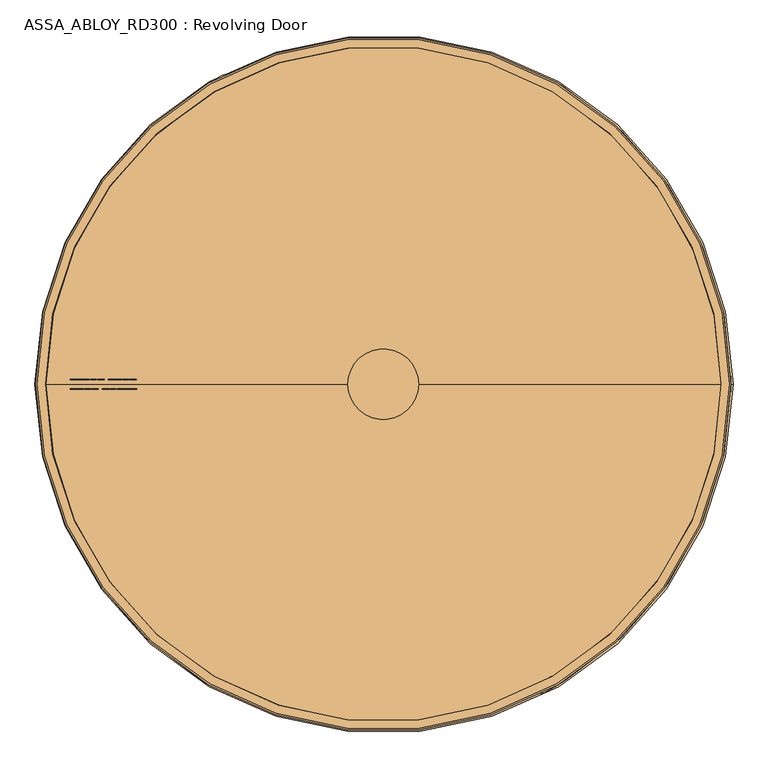
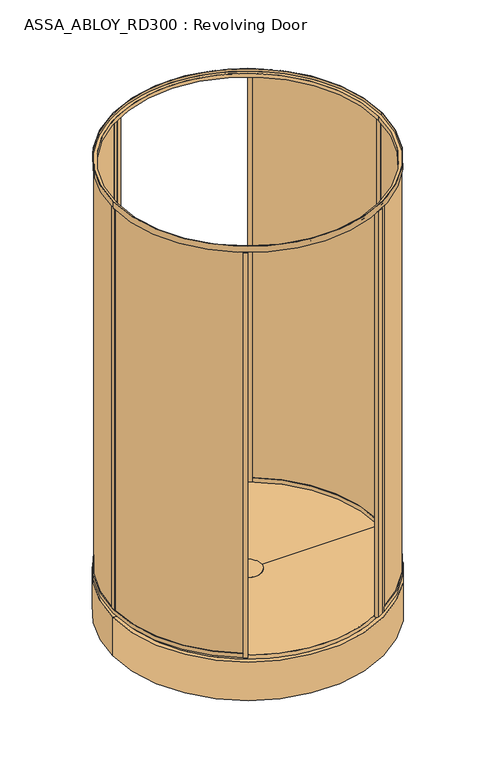
"""IFC4 building model written with IfcOpenShell, lengths in millimetres: door geometry, ASSA_ABLOY_RD300 : Revolving Door."""

from ifc_helpers import new_model, si_unit, point, frame, frame_2d, origin, origin_with_axes, origin_2d, place, context, project, spatial, polyline, circle_curve, trimmed, segment, composite_curve, outline, extrude, source, transform, mapped, element, save
from ifc_brep_helpers import plane_surface, cylinder_surface, revolved_surface, advanced_brep


def assa_abloy_rd300_revolving_door_65290dea(model_context):
    return source(origin(), model_context, "Body", "SolidModel", [
        extrude(outline(polyline([(28.0, -815.4407922), (47.8848654, -822.768158), (47.8848654, -826.3412198), (28.0, -833.6685856), (28.0, -830.8463846), (33.6340452, -828.842363), (33.6340452, -820.2721931), (28.0, -818.2681716), (28.0, -815.4407922)]), holes=[polyline([(35.9539462, -821.126621), (35.9539462, -828.0034703), (45.4562191, -824.5546889), (35.9539462, -821.126621)])]), frame((0.0, -13.5, 0.0), z_axis=(0.0, 1.0, 0.0), x_axis=(0.0, 0.0, 1.0)), (0.0, 0.0, 1.0), 2.0),
        extrude(outline(polyline([(33.6858287, -797.8758278), (36.999973, -799.0383674), (38.7709688, -802.505273), (39.3172847, -805.2731013), (39.7703904, -807.7923687), (40.8500765, -810.1355723), (42.794547, -810.8009903), (45.0290052, -809.4442625), (45.8963789, -805.8556657), (45.2361392, -801.8761034), (43.5764779, -798.5386566), (46.7870552, -798.5386566), (47.804601, -801.7466447), (48.2162799, -805.7262069), (46.6239371, -811.269631), (42.5408079, -813.4523057), (39.0195296, -812.1292372), (37.1087183, -808.061643), (36.6685585, -805.4931812), (36.2283987, -803.2405988), (35.2574581, -801.1977395), (33.3129875, -800.5271432), (30.8946979, -801.9330653), (29.9884865, -805.8660224), (30.6772071, -809.6772883), (32.6398019, -813.4523057), (29.2790525, -813.4523057), (28.0750861, -809.9051357), (27.6685856, -805.9747678), (28.147583, -802.4949163), (29.4810082, -799.9678813), (31.3944087, -798.4247329), (33.6858287, -797.8758278)])), frame((0.0, -13.5, 0.0), z_axis=(0.0, 1.0, 0.0), x_axis=(0.0, 0.0, 1.0)), (0.0, 0.0, 1.0), 2.0),
        extrude(outline(polyline([(33.6858287, -778.9852056), (36.999973, -780.1477453), (38.7709688, -783.6146508), (39.3172847, -786.3824791), (39.7703904, -788.9017466), (40.8500765, -791.2449501), (42.794547, -791.9103681), (45.0290052, -790.5536403), (45.8963789, -786.9650435), (45.2361392, -782.9854813), (43.5764779, -779.6480344), (46.7870552, -779.6480344), (47.804601, -782.8560225), (48.2162799, -786.8355848), (46.6239371, -792.3790088), (42.5408079, -794.5616835), (39.0195296, -793.238615), (37.1087183, -789.1710208), (36.6685585, -786.602559), (36.2283987, -784.3499766), (35.2574581, -782.3071174), (33.3129875, -781.636521), (30.8946979, -783.0424431), (29.9884865, -786.9754002), (30.6772071, -790.7866661), (32.6398019, -794.5616835), (29.2790525, -794.5616835), (28.0750861, -791.0145135), (27.6685856, -787.0841456), (28.147583, -783.6042941), (29.4810082, -781.0772591), (31.3944087, -779.5341107), (33.6858287, -778.9852056)])), frame((0.0, -13.5, 0.0), z_axis=(0.0, 1.0, 0.0), x_axis=(0.0, 0.0, 1.0)), (0.0, 0.0, 1.0), 2.0),
        extrude(outline(polyline([(28.0, -758.7689257), (47.8848654, -766.0962915), (47.8848654, -769.6693533), (28.0, -776.996719), (28.0, -774.1745181), (33.6340452, -772.1704965), (33.6340452, -763.6003266), (28.0, -761.596305), (28.0, -758.7689257)]), holes=[polyline([(35.9539462, -764.4547544), (35.9539462, -771.3316037), (45.4562191, -767.8828224), (35.9539462, -764.4547544)])]), frame((0.0, -13.5, 0.0), z_axis=(0.0, 1.0, 0.0), x_axis=(0.0, 0.0, 1.0)), (0.0, 0.0, 1.0), 2.0),
        extrude(outline(polyline([(28.0, -730.2672852), (47.8848654, -737.594651), (47.8848654, -741.1677128), (28.0, -748.4950786), (28.0, -745.6728776), (33.6340452, -743.668856), (33.6340452, -735.0986861), (28.0, -733.0946645), (28.0, -730.2672852)]), holes=[polyline([(35.9539462, -735.953114), (35.9539462, -742.8299633), (45.4562191, -739.3811819), (35.9539462, -735.953114)])]), frame((0.0, -13.5, 0.0), z_axis=(0.0, 1.0, 0.0), x_axis=(0.0, 0.0, 1.0)), (0.0, 0.0, 1.0), 2.0),
        extrude(outline(polyline([(34.1311668, -712.0394919), (37.561824, -713.2097991), (39.4441543, -716.4100196), (41.0597997, -714.4370681), (43.4521975, -713.696564), (45.5960346, -714.2014532), (47.0615077, -715.824866), (47.7269258, -717.9402222), (47.8848654, -721.2673123), (47.8848654, -727.2845554), (28.0, -727.2845554), (28.0, -720.1177185), (28.3754304, -716.6482237), (29.6311804, -714.1419022), (31.5083324, -712.6091105), (34.1311668, -712.0394919)]), holes=[polyline([(41.5595105, -717.6631804), (39.9309193, -721.0498216), (39.9309193, -724.63324), (45.5649645, -724.63324), (45.5649645, -721.3294525), (45.4795217, -719.0069623), (41.5595105, -717.6631804)]), polyline([(34.0172431, -714.6908073), (32.3187442, -715.0507027), (31.148437, -716.1821722), (30.4985541, -718.0645026), (30.319901, -721.0083948), (30.319901, -724.63324), (37.6110183, -724.63324), (37.6110183, -720.3352092), (37.5126296, -718.0308433), (37.0828266, -716.4203763), (35.8995735, -715.0636485), (34.0172431, -714.6908073)])]), frame((0.0, -13.5, 0.0), z_axis=(0.0, 1.0, 0.0), x_axis=(0.0, 0.0, 1.0)), (0.0, 0.0, 1.0), 2.0),
        extrude(outline(polyline([(28.0, -695.8001851), (30.319901, -695.8001851), (30.319901, -705.7426179), (47.8848654, -705.7426179), (47.8848654, -708.3939332), (28.0, -708.3939332), (28.0, -695.8001851)])), frame((0.0, -13.5, 0.0), z_axis=(0.0, 1.0, 0.0), x_axis=(0.0, 0.0, 1.0)), (0.0, 0.0, 1.0), 2.0),
        extrude(outline(polyline([(45.5390727, -678.3905712), (47.5197917, -681.2464314), (48.2162799, -685.0343947), (47.5275593, -688.7861095), (45.5390727, -691.6678615), (42.2611769, -693.5113543), (37.9372544, -694.143113), (33.5770834, -693.5035867), (30.3561494, -691.6782182), (28.3573062, -688.7990554), (27.6685856, -685.0343947), (28.3443603, -681.2593773), (30.3561494, -678.3905712), (33.571905, -676.5677918), (37.9372544, -675.9153197), (42.292247, -676.554846), (45.5390727, -678.3905712)]), holes=[polyline([(37.9372544, -678.5666351), (32.0339349, -680.3169175), (29.9884865, -685.024038), (32.0339349, -689.7337477), (37.9372544, -691.4917976), (43.8250388, -689.7674069), (45.8963789, -685.024038), (43.8250388, -680.2962041), (37.9372544, -678.5666351)])]), frame((0.0, -13.5, 0.0), z_axis=(0.0, 1.0, 0.0), x_axis=(0.0, 0.0, 1.0)), (0.0, 0.0, 1.0), 2.0),
        extrude(outline(polyline([(47.8848654, -657.0246975), (47.8848654, -660.1938479), (38.9884595, -665.6259375), (47.8848654, -671.1149889), (47.8848654, -674.2582476), (36.4407111, -666.9671302), (28.0, -666.9671302), (28.0, -664.3158148), (36.720342, -664.3158148), (47.8848654, -657.0246975)])), frame((0.0, -13.5, 0.0), z_axis=(0.0, 1.0, 0.0), x_axis=(0.0, 0.0, 1.0)), (0.0, 0.0, 1.0), 2.0),
        extrude(outline(polyline([(28.0, -675.9153197), (28.0, -673.0879404), (33.6340452, -671.0839188), (33.6340452, -662.5137489), (28.0, -660.5097273), (28.0, -657.6875264), (47.8848654, -665.0148921), (47.8848654, -668.5879539), (28.0, -675.9153197)]), holes=[polyline([(35.9539462, -670.229491), (45.4562191, -666.801423), (35.9539462, -663.3526417), (35.9539462, -670.229491)])]), frame((0.0, 11.5, 0.0), z_axis=(0.0, 1.0, 0.0), x_axis=(0.0, 0.0, 1.0)), (0.0, 0.0, 1.0), 2.0),
        extrude(outline(polyline([(33.6858287, -693.4802842), (31.3944087, -692.931379), (29.4810082, -691.3882306), (28.147583, -688.8611956), (27.6685856, -685.3813442), (28.0750861, -681.4509762), (29.2790525, -677.9038062), (32.6398019, -677.9038062), (30.6772071, -681.6788237), (29.9884865, -685.4900895), (30.8946979, -689.4230466), (33.3129875, -690.8289688), (35.2574581, -690.1583724), (36.2283987, -688.1155132), (36.6685585, -685.8629308), (37.1087183, -683.294469), (39.0195296, -679.2268747), (42.5408079, -677.9038062), (46.6239371, -680.0864809), (48.2162799, -685.629905), (47.804601, -689.6094673), (46.7870552, -692.8174553), (43.5764779, -692.8174553), (45.2361392, -689.4800085), (45.8963789, -685.5004462), (45.0290052, -681.9118494), (42.794547, -680.5551216), (40.8500765, -681.2205396), (39.7703904, -683.5637432), (39.3172847, -686.0830106), (38.7709688, -688.8508389), (36.999973, -692.3177445), (33.6858287, -693.4802842)])), frame((0.0, 11.5, 0.0), z_axis=(0.0, 1.0, 0.0), x_axis=(0.0, 0.0, 1.0)), (0.0, 0.0, 1.0), 2.0),
        extrude(outline(polyline([(33.6858287, -712.3709063), (31.3944087, -711.8220012), (29.4810082, -710.2788528), (28.147583, -707.7518178), (27.6685856, -704.2719663), (28.0750861, -700.3415984), (29.2790525, -696.7944284), (32.6398019, -696.7944284), (30.6772071, -700.5694458), (29.9884865, -704.3807117), (30.8946979, -708.3136688), (33.3129875, -709.7195909), (35.2574581, -709.0489946), (36.2283987, -707.0061353), (36.6685585, -704.7535529), (37.1087183, -702.1850911), (39.0195296, -698.1174969), (42.5408079, -696.7944284), (46.6239371, -698.9771031), (48.2162799, -704.5205272), (47.804601, -708.5000894), (46.7870552, -711.7080775), (43.5764779, -711.7080775), (45.2361392, -708.3706307), (45.8963789, -704.3910684), (45.0290052, -700.8024716), (42.794547, -699.4457438), (40.8500765, -700.1111618), (39.7703904, -702.4543654), (39.3172847, -704.9736328), (38.7709688, -707.7414611), (36.999973, -711.2083667), (33.6858287, -712.3709063)])), frame((0.0, 11.5, 0.0), z_axis=(0.0, 1.0, 0.0), x_axis=(0.0, 0.0, 1.0)), (0.0, 0.0, 1.0), 2.0),
        extrude(outline(polyline([(28.0, -732.5871862), (28.0, -729.7598069), (33.6340452, -727.7557853), (33.6340452, -719.1856154), (28.0, -717.1815938), (28.0, -714.3593929), (47.8848654, -721.6867587), (47.8848654, -725.2598204), (28.0, -732.5871862)]), holes=[polyline([(35.9539462, -726.9013575), (45.4562191, -723.4732895), (35.9539462, -720.0245082), (35.9539462, -726.9013575)])]), frame((0.0, 11.5, 0.0), z_axis=(0.0, 1.0, 0.0), x_axis=(0.0, 0.0, 1.0)), (0.0, 0.0, 1.0), 2.0),
        extrude(outline(polyline([(28.0, -761.0888267), (28.0, -758.2614474), (33.6340452, -756.2574258), (33.6340452, -747.6872559), (28.0, -745.6832343), (28.0, -742.8610334), (47.8848654, -750.1883991), (47.8848654, -753.7614609), (28.0, -761.0888267)]), holes=[polyline([(35.9539462, -755.402998), (45.4562191, -751.97493), (35.9539462, -748.5261487), (35.9539462, -755.402998)])]), frame((0.0, 11.5, 0.0), z_axis=(0.0, 1.0, 0.0), x_axis=(0.0, 0.0, 1.0)), (0.0, 0.0, 1.0), 2.0),
        extrude(outline(polyline([(34.1311668, -779.31662), (31.5083324, -778.7470015), (29.6311804, -777.2142098), (28.3754304, -774.7078882), (28.0, -771.2383934), (28.0, -764.0715565), (47.8848654, -764.0715565), (47.8848654, -770.0887996), (47.7269258, -773.4158898), (47.0615077, -775.5312459), (45.5960346, -777.1546587), (43.4521975, -777.6595479), (41.0597997, -776.9190438), (39.4441543, -774.9460923), (37.561824, -778.1463128), (34.1311668, -779.31662)]), holes=[polyline([(41.5595105, -773.6929315), (45.4795217, -772.3491496), (45.5649645, -770.0266594), (45.5649645, -766.7228719), (39.9309193, -766.7228719), (39.9309193, -770.3062904), (41.5595105, -773.6929315)]), polyline([(34.0172431, -776.6653046), (35.8995735, -776.2924634), (37.0828266, -774.9357356), (37.5126296, -773.3252686), (37.6110183, -771.0209027), (37.6110183, -766.7228719), (30.319901, -766.7228719), (30.319901, -770.3477172), (30.4985541, -773.2916094), (31.148437, -775.1739397), (32.3187442, -776.3054093), (34.0172431, -776.6653046)])]), frame((0.0, 11.5, 0.0), z_axis=(0.0, 1.0, 0.0), x_axis=(0.0, 0.0, 1.0)), (0.0, 0.0, 1.0), 2.0),
        extrude(outline(polyline([(28.0, -795.5559268), (28.0, -782.9621787), (47.8848654, -782.9621787), (47.8848654, -785.6134941), (30.319901, -785.6134941), (30.319901, -795.5559268), (28.0, -795.5559268)])), frame((0.0, 11.5, 0.0), z_axis=(0.0, 1.0, 0.0), x_axis=(0.0, 0.0, 1.0)), (0.0, 0.0, 1.0), 2.0),
        extrude(outline(polyline([(45.5390727, -812.9655408), (42.292247, -814.801266), (37.9372544, -815.4407922), (33.571905, -814.7883201), (30.3561494, -812.9655408), (28.3443603, -810.0967347), (27.6685856, -806.3217172), (28.3573062, -802.5570565), (30.3561494, -799.6778937), (33.5770834, -797.8525252), (37.9372544, -797.2129989), (42.2611769, -797.8447577), (45.5390727, -799.6882504), (47.5275593, -802.5700024), (48.2162799, -806.3217172), (47.5197917, -810.1096805), (45.5390727, -812.9655408)]), holes=[polyline([(37.9372544, -812.7894769), (43.8250388, -811.0599078), (45.8963789, -806.3320739), (43.8250388, -801.588705), (37.9372544, -799.8643143), (32.0339349, -801.6223643), (29.9884865, -806.3320739), (32.0339349, -811.0391944), (37.9372544, -812.7894769)])]), frame((0.0, 11.5, 0.0), z_axis=(0.0, 1.0, 0.0), x_axis=(0.0, 0.0, 1.0)), (0.0, 0.0, 1.0), 2.0),
        extrude(outline(polyline([(47.8848654, -834.3314144), (36.720342, -827.0402971), (28.0, -827.0402971), (28.0, -824.3889817), (36.4407111, -824.3889817), (47.8848654, -817.0978644), (47.8848654, -820.241123), (38.9884595, -825.7301744), (47.8848654, -831.162264), (47.8848654, -834.3314144)])), frame((0.0, 11.5, 0.0), z_axis=(0.0, 1.0, 0.0), x_axis=(0.0, 0.0, 1.0)), (0.0, 0.0, 1.0), 2.0),
        extrude(outline(composite_curve([segment(polyline([(-449.5, 778.556838), (-463.5, 802.8055493)]), True, "CONTINUOUS"), segment(trimmed(circle_curve(origin_2d(), 927.0), [point((-463.5, 802.8055493))], [point((-428.4272833, 822.0578221))], False, "CARTESIAN"), True, "CONTINUOUS"), segment(trimmed(circle_curve(frame_2d((-421.9447104, 809.619189)), 14.0265229), [point((-428.4272833, 822.0578221))], [point((-414.4138246, 797.7857996))], False, "CARTESIAN"), True, "CONTINUOUS"), segment(trimmed(circle_curve(origin_2d(), 899.0), [point((-414.4138246, 797.7857996))], [point((-449.5, 778.556838))], True, "CARTESIAN"), True, "CONTINUOUS")], self_intersect=False)), origin_with_axes(), (0.0, 0.0, 1.0), 2949.0),
        extrude(outline(composite_curve([segment(polyline([(449.5, -778.556838), (463.5, -802.8055493)]), True, "CONTINUOUS"), segment(trimmed(circle_curve(origin_2d(), 927.0), [point((463.5, -802.8055493))], [point((428.4272833, -822.0578221))], False, "CARTESIAN"), True, "CONTINUOUS"), segment(trimmed(circle_curve(frame_2d((421.9447104, -809.619189)), 14.0265229), [point((428.4272833, -822.0578221))], [point((414.4138246, -797.7857996))], False, "CARTESIAN"), True, "CONTINUOUS"), segment(trimmed(circle_curve(origin_2d(), 899.0), [point((414.4138246, -797.7857996))], [point((449.5, -778.556838))], True, "CARTESIAN"), True, "CONTINUOUS")], self_intersect=False)), origin_with_axes(), (0.0, 0.0, 1.0), 2949.0),
        advanced_brep(
        [(932.0, 0.0, -30.0), (-928.0, 0.0, -30.0), (-898.0, 0.0, -30.0), (902.0, 0.0, -30.0), (932.0, 0.0, -310.0), (-928.0, 0.0, -310.0), (2.0, 0.0, -310.0), (902.0, 0.0, 0.0), (-898.0, 0.0, 0.0), (2.0, 0.0, 0.0)],
        [
            (0, 1, circle_curve(frame((2.0, 0.0, -30.0), z_axis=(0.0, 0.0, 1.0), x_axis=(-1.0, 0.0, 0.0)), 930.0)),
            (1, 2),
            (2, 3, circle_curve(frame((2.0, 0.0, -30.0), z_axis=(0.0, 0.0, -1.0), x_axis=(-1.0, 0.0, 0.0)), 900.0)),
            (3, 0),
            (1, 0, circle_curve(frame((2.0, 0.0, -30.0), z_axis=(0.0, 0.0, 1.0), x_axis=(-1.0, 0.0, 0.0)), 930.0)),
            (3, 2, circle_curve(frame((2.0, 0.0, -30.0), z_axis=(0.0, 0.0, -1.0), x_axis=(-1.0, 0.0, 0.0)), 900.0)),
            (4, 5, circle_curve(frame((2.0, 0.0, -310.0), z_axis=(0.0, 0.0, 1.0), x_axis=(-1.0, 0.0, 0.0)), 930.0)),
            (5, 1),
            (0, 4),
            (5, 4, circle_curve(frame((2.0, 0.0, -310.0), z_axis=(0.0, 0.0, 1.0), x_axis=(-1.0, 0.0, 0.0)), 930.0)),
            (6, 5),
            (4, 6),
            (7, 8, circle_curve(frame((2.0, 0.0, 0.0), z_axis=(0.0, 0.0, 1.0), x_axis=(-1.0, 0.0, 0.0)), 900.0)),
            (8, 9),
            (9, 7),
            (8, 7, circle_curve(frame((2.0, 0.0, 0.0), z_axis=(0.0, 0.0, 1.0), x_axis=(-1.0, 0.0, 0.0)), 900.0)),
            (2, 8),
            (7, 3),
        ],
        [
            plane_surface(frame((2.0, 0.0, -30.0), z_axis=(0.0, 0.0, 1.0), x_axis=(-1.0, 0.0, 0.0))),
            cylinder_surface(frame((2.0, 0.0, 2174.3150031), z_axis=(0.0, 0.0, -1.0), x_axis=(-1.0, 0.0, 0.0)), 930.0),
            plane_surface(frame((2.0, 0.0, -310.0), z_axis=(0.0, 0.0, -1.0), x_axis=(-1.0, 0.0, 0.0))),
            plane_surface(frame((2.0, 0.0, 0.0), z_axis=(0.0, 0.0, 1.0), x_axis=(-1.0, 0.0, 0.0))),
            cylinder_surface(frame((2.0, 0.0, 2174.3150031), z_axis=(0.0, 0.0, -1.0), x_axis=(-1.0, 0.0, 0.0)), 900.0),
        ],
        [
            (0, [[1, 2, 3, 4]]),
            (0, [[5, -4, 6, -2]]),
            (1, [[7, 8, -1, 9]]),
            (1, [[10, -9, -5, -8]]),
            (2, [[11, -7, 12]]),
            (2, [[-12, -10, -11]]),
            (3, [[13, 14, 15]]),
            (3, [[16, -15, -14]]),
            (4, [[-3, 17, -13, 18]]),
            (4, [[-6, -18, -16, -17]]),
        ],
    ),
        extrude(outline(composite_curve([segment(polyline([(-485.3341191, -788.8299284), (-472.3288435, -766.3041303)]), True, "CONTINUOUS"), segment(trimmed(circle_curve(frame_2d((0.0, -0.2065754)), 900.0), [point((-472.3288435, -766.3041303))], [point((-450.0, -779.6294388))], True, "CARTESIAN"), True, "CONTINUOUS"), segment(polyline([(-450.0, -779.6294388), (-463.0, -802.1460993)]), True, "CONTINUOUS"), segment(trimmed(circle_curve(frame_2d((0.0, -0.2065754)), 926.0), [point((-463.0, -802.1460993))], [point((-485.3341191, -788.8299284))], False, "CARTESIAN"), True, "CONTINUOUS")], self_intersect=False)), origin_with_axes(), (0.0, 0.0, 1.0), 2949.0),
        extrude(outline(composite_curve([segment(polyline([(-463.0, 801.7329485), (-450.0, 779.216288)]), True, "CONTINUOUS"), segment(trimmed(circle_curve(frame_2d((0.0, -0.2065754)), 900.0), [point((-450.0, 779.216288))], [point((-472.3288435, 765.8909795))], True, "CARTESIAN"), True, "CONTINUOUS"), segment(polyline([(-472.3288435, 765.8909795), (-485.3341191, 788.4167775)]), True, "CONTINUOUS"), segment(trimmed(circle_curve(frame_2d((0.0, -0.2065754)), 926.0), [point((-485.3341191, 788.4167775))], [point((-463.0, 801.7329485))], False, "CARTESIAN"), True, "CONTINUOUS")], self_intersect=False)), origin_with_axes(), (0.0, 0.0, 1.0), 2949.0),
        extrude(outline(composite_curve([segment(polyline([(-920.7828191, -20.2065754), (-904.7789785, -20.2065754)]), True, "CONTINUOUS"), segment(trimmed(circle_curve(frame_2d((0.0, -0.2065754)), 905.0), [point((-904.7789785, -20.2065754))], [point((-474.8298816, -770.6360553))], True, "CARTESIAN"), True, "CONTINUOUS"), segment(polyline([(-474.8298816, -770.6360553), (-482.8331277, -784.4980842)]), True, "CONTINUOUS"), segment(trimmed(circle_curve(frame_2d((0.0, -0.2065754)), 921.0), [point((-482.8331277, -784.4980842))], [point((-920.7828191, -20.2065754))], False, "CARTESIAN"), True, "CONTINUOUS")], self_intersect=False)), frame((0.0, 0.0, 30.0), z_axis=(0.0, 0.0, 1.0), x_axis=(1.0, 0.0, 0.0)), (0.0, 0.0, 1.0), 2919.0),
        extrude(outline(composite_curve([segment(polyline([(-482.8331277, 784.0849334), (-474.8298816, 770.2229045)]), True, "CONTINUOUS"), segment(trimmed(circle_curve(frame_2d((0.0, -0.2065754)), 905.0), [point((-474.8298816, 770.2229045))], [point((-904.7789785, 19.7934246))], True, "CARTESIAN"), True, "CONTINUOUS"), segment(polyline([(-904.7789785, 19.7934246), (-920.7828191, 19.7934246)]), True, "CONTINUOUS"), segment(trimmed(circle_curve(frame_2d((0.0, -0.2065754)), 921.0), [point((-920.7828191, 19.7934246))], [point((-482.8331277, 784.0849334))], False, "CARTESIAN"), True, "CONTINUOUS")], self_intersect=False)), frame((0.0, 0.0, 30.0), z_axis=(0.0, 0.0, 1.0), x_axis=(1.0, 0.0, 0.0)), (0.0, 0.0, 1.0), 2919.0),
        extrude(outline(polyline([(-926.0, -20.2065754), (-926.0, 19.7934246), (-900.0, 19.7934246), (-900.0, -20.2065754), (-926.0, -20.2065754)])), frame((0.0, 0.0, 30.0), z_axis=(0.0, 0.0, 1.0), x_axis=(1.0, 0.0, 0.0)), (0.0, 0.0, 1.0), 2919.0),
        extrude(outline(composite_curve([segment(polyline([(-485.3341191, 788.4167775), (-472.3288435, 765.8909795)]), True, "CONTINUOUS"), segment(trimmed(circle_curve(frame_2d((0.0, -0.2065754)), 900.0), [point((-472.3288435, 765.8909795))], [point((-472.3288435, -766.3041303))], True, "CARTESIAN"), True, "CONTINUOUS"), segment(polyline([(-472.3288435, -766.3041303), (-485.3341191, -788.8299284)]), True, "CONTINUOUS"), segment(trimmed(circle_curve(frame_2d((0.0, -0.2065754)), 926.0), [point((-485.3341191, -788.8299284))], [point((-485.3341191, 788.4167775))], False, "CARTESIAN"), True, "CONTINUOUS")], self_intersect=False)), origin_with_axes(), (0.0, 0.0, 1.0), 30.0),
        extrude(outline(composite_curve([segment(trimmed(circle_curve(origin_2d(), 926.0), [point((485.3341191, -788.623353))], [point((463.0, -801.9395239))], False, "CARTESIAN"), True, "CONTINUOUS"), segment(polyline([(463.0, -801.9395239), (450.0, -779.4228634)]), True, "CONTINUOUS"), segment(trimmed(circle_curve(origin_2d(), 900.0), [point((450.0, -779.4228634))], [point((472.3288435, -766.0975549))], True, "CARTESIAN"), True, "CONTINUOUS"), segment(polyline([(472.3288435, -766.0975549), (485.3341191, -788.623353)]), True, "CONTINUOUS")], self_intersect=False)), origin_with_axes(), (0.0, 0.0, 1.0), 2949.0),
        extrude(outline(composite_curve([segment(trimmed(circle_curve(origin_2d(), 926.0), [point((463.0, 801.9395239))], [point((485.3341191, 788.623353))], False, "CARTESIAN"), True, "CONTINUOUS"), segment(polyline([(485.3341191, 788.623353), (472.3288435, 766.0975549)]), True, "CONTINUOUS"), segment(trimmed(circle_curve(origin_2d(), 900.0), [point((472.3288435, 766.0975549))], [point((450.0, 779.4228634))], True, "CARTESIAN"), True, "CONTINUOUS"), segment(polyline([(450.0, 779.4228634), (463.0, 801.9395239)]), True, "CONTINUOUS")], self_intersect=False)), origin_with_axes(), (0.0, 0.0, 1.0), 2949.0),
        extrude(outline(composite_curve([segment(trimmed(circle_curve(origin_2d(), 921.0), [point((920.7828191, -20.0))], [point((482.8331277, -784.2915088))], False, "CARTESIAN"), True, "CONTINUOUS"), segment(polyline([(482.8331277, -784.2915088), (474.8298816, -770.4294799)]), True, "CONTINUOUS"), segment(trimmed(circle_curve(origin_2d(), 905.0), [point((474.8298816, -770.4294799))], [point((904.7789785, -20.0))], True, "CARTESIAN"), True, "CONTINUOUS"), segment(polyline([(904.7789785, -20.0), (920.7828191, -20.0)]), True, "CONTINUOUS")], self_intersect=False)), frame((0.0, 0.0, 30.0), z_axis=(0.0, 0.0, 1.0), x_axis=(1.0, 0.0, 0.0)), (0.0, 0.0, 1.0), 2919.0),
        extrude(outline(composite_curve([segment(trimmed(circle_curve(origin_2d(), 921.0), [point((482.8331277, 784.2915088))], [point((920.7828191, 20.0))], False, "CARTESIAN"), True, "CONTINUOUS"), segment(polyline([(920.7828191, 20.0), (904.7789785, 20.0)]), True, "CONTINUOUS"), segment(trimmed(circle_curve(origin_2d(), 905.0), [point((904.7789785, 20.0))], [point((474.8298816, 770.4294799))], True, "CARTESIAN"), True, "CONTINUOUS"), segment(polyline([(474.8298816, 770.4294799), (482.8331277, 784.2915088)]), True, "CONTINUOUS")], self_intersect=False)), frame((0.0, 0.0, 30.0), z_axis=(0.0, 0.0, 1.0), x_axis=(1.0, 0.0, 0.0)), (0.0, 0.0, 1.0), 2919.0),
        extrude(outline(polyline([(926.0, -20.0), (900.0, -20.0), (900.0, 20.0), (926.0, 20.0), (926.0, -20.0)])), frame((0.0, 0.0, 30.0), z_axis=(0.0, 0.0, 1.0), x_axis=(1.0, 0.0, 0.0)), (0.0, 0.0, 1.0), 2919.0),
        extrude(outline(composite_curve([segment(trimmed(circle_curve(origin_2d(), 926.0), [point((485.3341191, 788.623353))], [point((485.3341191, -788.623353))], False, "CARTESIAN"), True, "CONTINUOUS"), segment(polyline([(485.3341191, -788.623353), (472.3288435, -766.0975549)]), True, "CONTINUOUS"), segment(trimmed(circle_curve(origin_2d(), 900.0), [point((472.3288435, -766.0975549))], [point((472.3288435, 766.0975549))], True, "CARTESIAN"), True, "CONTINUOUS"), segment(polyline([(472.3288435, 766.0975549), (485.3341191, 788.623353)]), True, "CONTINUOUS")], self_intersect=False)), origin_with_axes(), (0.0, 0.0, 1.0), 30.0),
        advanced_brep(
        [(-926.0, 0.0, 2994.0), (926.0, 0.0, 2994.0), (922.0, 0.0, 2994.0), (-922.0, 0.0, 2994.0), (-926.0, 0.0, 2949.0), (926.0, 0.0, 2949.0), (-899.5, 0.0, 2949.0), (899.5, 0.0, 2949.0), (899.5, 0.0, 2976.0), (-899.5, 0.0, 2976.0), (-922.0, 0.0, 2976.0), (922.0, 0.0, 2976.0)],
        [
            (0, 1, circle_curve(frame((0.0, 0.0, 2994.0), z_axis=(0.0, 0.0, 1.0), x_axis=(1.0, 0.0, 0.0)), 926.0)),
            (1, 0, circle_curve(frame((0.0, 0.0, 2994.0), z_axis=(0.0, 0.0, 1.0), x_axis=(1.0, 0.0, 0.0)), 926.0)),
            (2, 3, circle_curve(frame((0.0, 0.0, 2994.0), z_axis=(0.0, 0.0, -1.0), x_axis=(1.0, 0.0, 0.0)), 922.0)),
            (3, 2, circle_curve(frame((0.0, 0.0, 2994.0), z_axis=(0.0, 0.0, -1.0), x_axis=(1.0, 0.0, 0.0)), 922.0)),
            (4, 5, circle_curve(frame((0.0, 0.0, 2949.0), z_axis=(0.0, 0.0, -1.0), x_axis=(1.0, 0.0, 0.0)), 926.0)),
            (5, 4, circle_curve(frame((0.0, 0.0, 2949.0), z_axis=(0.0, 0.0, -1.0), x_axis=(1.0, 0.0, 0.0)), 926.0)),
            (6, 7, circle_curve(frame((0.0, 0.0, 2949.0), z_axis=(0.0, 0.0, 1.0), x_axis=(1.0, 0.0, 0.0)), 899.5)),
            (7, 6, circle_curve(frame((0.0, 0.0, 2949.0), z_axis=(0.0, 0.0, 1.0), x_axis=(1.0, 0.0, 0.0)), 899.5)),
            (7, 8),
            (8, 9, circle_curve(frame((0.0, 0.0, 2976.0), z_axis=(0.0, 0.0, 1.0), x_axis=(1.0, 0.0, 0.0)), 899.5)),
            (9, 6),
            (9, 8, circle_curve(frame((0.0, 0.0, 2976.0), z_axis=(0.0, 0.0, 1.0), x_axis=(1.0, 0.0, 0.0)), 899.5)),
            (0, 4),
            (5, 1),
            (10, 11, circle_curve(frame((0.0, 0.0, 2976.0), z_axis=(0.0, 0.0, 1.0), x_axis=(1.0, 0.0, 0.0)), 922.0)),
            (11, 10, circle_curve(frame((0.0, 0.0, 2976.0), z_axis=(0.0, 0.0, 1.0), x_axis=(1.0, 0.0, 0.0)), 922.0)),
            (10, 3),
            (2, 11),
        ],
        [
            plane_surface(frame((899.5, 0.0, 2994.0), z_axis=(0.0, 0.0, 1.0), x_axis=(0.0, -1.0, 0.0))),
            plane_surface(frame((899.5, 0.0, 2949.0), z_axis=(0.0, 0.0, -1.0), x_axis=(0.0, 1.0, 0.0))),
            revolved_surface(polyline([(899.5, 0.0, 2949.0), (899.5, 0.0, 2976.0)]), (0.0, 0.0, 2949.0), (0.0, 0.0, -1.0)),
            cylinder_surface(frame((0.0, 0.0, 2949.0), z_axis=(0.0, 0.0, 1.0), x_axis=(1.0, 0.0, 0.0)), 926.0),
            plane_surface(frame((922.0, 0.0, 2976.0), z_axis=(0.0, 0.0, 1.0), x_axis=(0.0, -1.0, 0.0))),
            revolved_surface(polyline([(922.0, 0.0, 2994.0), (922.0, 0.0, 2976.0)]), (0.0, 0.0, 2976.0), (0.0, 0.0, 1.0)),
        ],
        [
            (0, [[1, 2], [3, 4]]),
            (1, [[5, 6], [7, 8]]),
            (2, [[-8, 9, 10, 11]]),
            (2, [[-7, -11, 12, -9]]),
            (3, [[-1, 13, -6, 14]]),
            (3, [[-2, -14, -5, -13]]),
            (4, [[15, 16], [-10, -12]]),
            (5, [[-15, 17, -3, 18]]),
            (5, [[-16, -18, -4, -17]]),
        ],
    ),
        extrude(outline(composite_curve([segment(trimmed(circle_curve(origin_2d(), 94.0), [point((-94.0, 0.0))], [point((94.0, 0.0))], False, "CARTESIAN"), True, "CONTINUOUS"), segment(trimmed(circle_curve(origin_2d(), 94.0), [point((94.0, 0.0))], [point((-94.0, 0.0))], False, "CARTESIAN"), True, "CONTINUOUS")], self_intersect=False)), origin_with_axes(), (0.0, 0.0, 1.0), 3.0),
    ])


if __name__ == "__main__":
    model = new_model("IFC4")
    model_context = context("Model", 3, world=origin())
    ifc_project = project(units=[si_unit("LENGTHUNIT", "METRE", prefix="MILLI")], contexts=[model_context])
    site = spatial("IfcSite", under=ifc_project)
    building = spatial("IfcBuilding", under=site)
    placement = place(None, origin())
    assa_abloy_rd300_revolving_door_shape = assa_abloy_rd300_revolving_door_65290dea(model_context)
    element("IfcDoor", 1, ObjectType="ASSA_ABLOY_RD300 : Revolving Door", at=placement, inside=building, context=model_context, shape_type="MappedRepresentation", body=[
        mapped(assa_abloy_rd300_revolving_door_shape, transform((0.0, 0.0, 0.0), x_axis=(1.0, 0.0, 0.0), y_axis=(0.0, 1.0, 0.0), z_axis=(0.0, 0.0, 1.0))),
    ])
    save(model, "model.ifc")
